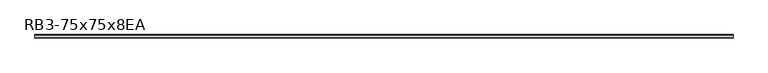
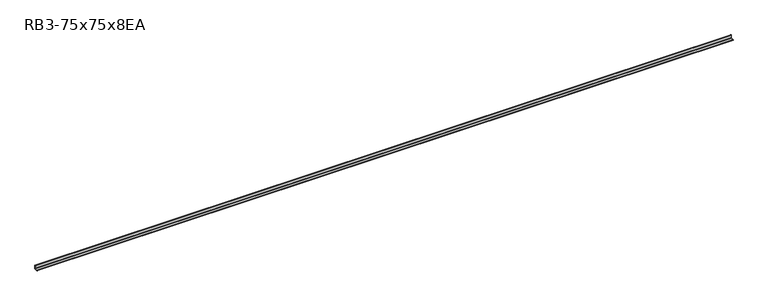
"""IFC4 building model written with IfcOpenShell, lengths in millimetres: member geometry, RB3-75x75x8EA."""

from ifc_helpers import new_model, si_unit, point, frame, frame_2d, origin, place, context, project, spatial, polyline, circle_curve, trimmed, segment, composite_curve, outline, extrude, source, transform, mapped, element, save


def rb3_75x75x8ea_e93cd8e8(model_context):
    return source(origin(), model_context, "Body", "SweptSolid", [
        extrude(outline(composite_curve([segment(polyline([(21.3, -21.3), (-53.7, -21.3), (-53.7, -18.3)]), True, "CONTINUOUS"), segment(trimmed(circle_curve(frame_2d((-48.7, -18.3)), 5.0), [point((-53.7, -18.3))], [point((-48.7, -13.3))], False, "CARTESIAN"), True, "CONTINUOUS"), segment(polyline([(-48.7, -13.3), (5.3, -13.3)]), True, "CONTINUOUS"), segment(trimmed(circle_curve(frame_2d((5.3, -5.3)), 8.0), [point((5.3, -13.3))], [point((13.3, -5.3))], True, "CARTESIAN"), True, "CONTINUOUS"), segment(polyline([(13.3, -5.3), (13.3, 48.7)]), True, "CONTINUOUS"), segment(trimmed(circle_curve(frame_2d((18.3, 48.7)), 5.0), [point((13.3, 48.7))], [point((18.3, 53.7))], False, "CARTESIAN"), True, "CONTINUOUS"), segment(polyline([(18.3, 53.7), (21.3, 53.7), (21.3, -21.3)]), True, "CONTINUOUS")], self_intersect=False)), frame((-7330.5288863, 0.0, 0.0), z_axis=(1.0, 0.0, 0.0), x_axis=(0.0, 1.0, 0.0)), (0.0, 0.0, 1.0), 14946.5288863),
    ])


if __name__ == "__main__":
    model = new_model("IFC4")
    model_context = context("Model", 3, world=origin())
    ifc_project = project(units=[si_unit("LENGTHUNIT", "METRE", prefix="MILLI")], contexts=[model_context])
    site = spatial("IfcSite", under=ifc_project)
    building = spatial("IfcBuilding", under=site)
    placement = place(None, origin())
    rb3_75x75x8ea_shape = rb3_75x75x8ea_e93cd8e8(model_context)
    element("IfcMember", 1, ObjectType="RB3-75x75x8EA", at=placement, inside=building, context=model_context, shape_type="MappedRepresentation", body=[
        mapped(rb3_75x75x8ea_shape, transform((0.0, 0.0, 0.0), x_axis=(1.0, 0.0, 0.0), y_axis=(0.0, 1.0, 0.0), z_axis=(0.0, 0.0, 1.0))),
    ])
    save(model, "model.ifc")
